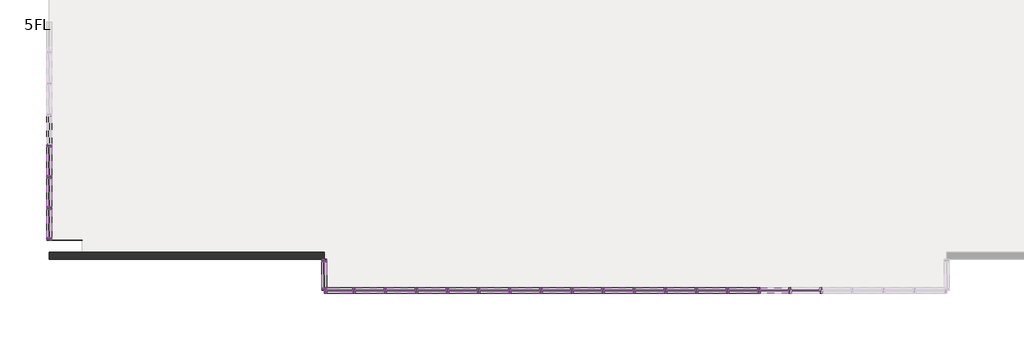
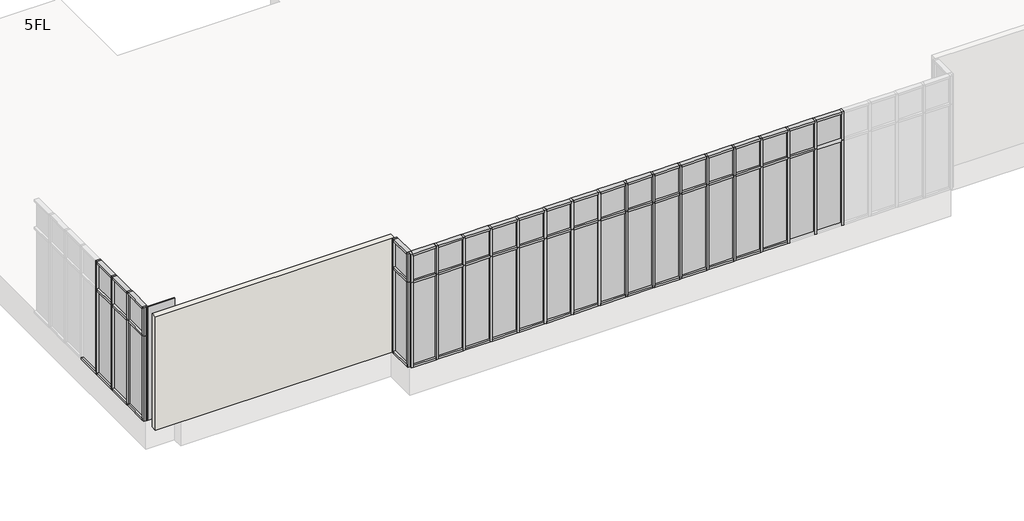
# One storey, part 1 of 4: 104 members, 42 plates, 1 wall.
"""IFC4 building model written with IfcOpenShell, lengths in millimetres."""

import ifcopenshell
import ifcopenshell.guid

model = None  # the IFC model being written
_history = None  # IfcOwnerHistory: only IFC2X3 demands one
_inside = {}  # id of a spatial element -> (the spatial element, [elements in it])
_under = {}  # id of a project, library or spatial element -> (it, [spatial elements below it])
_declared = {}  # id of a project -> (the project, [libraries it declares])
_typed = {}  # id of a type object -> (the type object, [elements of that type])
_made_of = {}  # id of a material, layer set ... -> (it, [elements and type objects made of it])


def new_model(schema):
    """Start an empty IFC model of exactly this schema.

    Asked for "IFC4X3", IfcOpenShell would pick the latest addendum, in which some entities
    have other attributes; the version numbers below select the first issue.
    IFC2X3 requires an IfcOwnerHistory on every rooted entity: one is made here for all.
    """
    global model, _history
    if schema == "IFC4X3":
        model = ifcopenshell.file(schema_version=(4, 3, 0, 0))
    else:
        model = ifcopenshell.file(schema=schema)
    _inside.clear()
    _under.clear()
    _declared.clear()
    _typed.clear()
    _made_of.clear()
    _history = None
    if model.schema == "IFC2X3":
        org = make("IfcOrganization", Name="unknown")
        user = make(
            "IfcPersonAndOrganization",
            ThePerson=make("IfcPerson", FamilyName="unknown"),
            TheOrganization=org,
        )
        app = make(
            "IfcApplication",
            ApplicationDeveloper=org,
            Version="unknown",
            ApplicationFullName="unknown",
            ApplicationIdentifier="unknown",
        )
        _history = make(
            "IfcOwnerHistory",
            OwningUser=user,
            OwningApplication=app,
            ChangeAction="ADDED",
            CreationDate=0,
        )
    return model


def make(cls, **values):
    """One entity of the class cls with the attributes given. An attribute that is None is left unset."""
    return model.create_entity(
        cls, **{name: value for name, value in values.items() if value is not None}
    )


def rooted(cls, **values):
    """An entity with a GlobalId (a new one), such as an element, a storey or a relation."""
    return make(cls, GlobalId=ifcopenshell.guid.new(), OwnerHistory=_history, **values)


def si_unit(unit_type, name, prefix=None):
    """IfcSIUnit, for example si_unit("LENGTHUNIT", "METRE", prefix="MILLI")."""
    return make("IfcSIUnit", UnitType=unit_type, Prefix=prefix, Name=name)


def assignment(units):
    """IfcUnitAssignment: the units of a project."""
    return None if units is None else make("IfcUnitAssignment", Units=units)


def point(xyz):
    """IfcCartesianPoint."""
    return None if xyz is None else make("IfcCartesianPoint", Coordinates=xyz)


def direction(xyz):
    """IfcDirection."""
    return None if xyz is None else make("IfcDirection", DirectionRatios=xyz)


def frame(location, z_axis=None, x_axis=None):
    """IfcAxis2Placement3D, a coordinate frame: its origin and axes. An axis left out is left unset."""
    return make(
        "IfcAxis2Placement3D",
        Location=point(location),
        Axis=direction(z_axis),
        RefDirection=direction(x_axis),
    )


def origin():
    """The frame at (0, 0, 0) with its axes left unset."""
    return frame((0.0, 0.0, 0.0))


def origin_with_axes():
    """The frame at (0, 0, 0) with the z axis (0, 0, 1) and the x axis (1, 0, 0) written out."""
    return frame((0.0, 0.0, 0.0), z_axis=(0.0, 0.0, 1.0), x_axis=(1.0, 0.0, 0.0))


def place(relative_to, where):
    """IfcLocalPlacement: puts the frame where relative to a parent placement (None: the world)."""
    return make(
        "IfcLocalPlacement", PlacementRelTo=relative_to, RelativePlacement=where
    )


def context(
    kind, dimensions, precision=None, world=None, true_north=None, identifier=None
):
    """IfcGeometricRepresentationContext, for example the 3D "Model" context."""
    return make(
        "IfcGeometricRepresentationContext",
        ContextIdentifier=identifier,
        ContextType=kind,
        CoordinateSpaceDimension=dimensions,
        Precision=precision,
        WorldCoordinateSystem=world,
        TrueNorth=true_north,
    )


def project(units=None, contexts=None):
    """IfcProject with its units and contexts."""
    return rooted(
        "IfcProject",
        Name="project",
        RepresentationContexts=contexts,
        UnitsInContext=assignment(units),
    )


def spatial(cls, under=None, at=None, **own):
    """A site, building, storey or space (cls), placed at a placement, below another one or the project."""
    s = rooted(cls, ObjectPlacement=at, **own)
    if under is not None:
        _under.setdefault(under.id(), (under, []))[1].append(s)
    return s


def polyline(points):
    """IfcPolyline through the points."""
    return make("IfcPolyline", Points=[point(p) for p in points])


def outline(outer, holes=None, kind="AREA"):
    """IfcArbitraryClosedProfileDef: a profile drawn as a closed curve; with holes, ...WithVoids."""
    if holes is None:
        return make("IfcArbitraryClosedProfileDef", ProfileType=kind, OuterCurve=outer)
    return make(
        "IfcArbitraryProfileDefWithVoids",
        ProfileType=kind,
        OuterCurve=outer,
        InnerCurves=holes,
    )


def extrude(swept, where, along, depth):
    """IfcExtrudedAreaSolid: the profile swept, set in the frame where, extruded along a direction by depth."""
    return make(
        "IfcExtrudedAreaSolid",
        SweptArea=swept,
        Position=where,
        ExtrudedDirection=direction(along),
        Depth=depth,
    )


def shape(context_of_items, identifier, shape_type, items):
    """IfcShapeRepresentation: the items that make up one representation, for example the "Body"."""
    return make(
        "IfcShapeRepresentation",
        ContextOfItems=context_of_items,
        RepresentationIdentifier=identifier,
        RepresentationType=shape_type,
        Items=items,
    )


def source(mapping_origin, context_of_items, identifier, shape_type, items):
    """IfcRepresentationMap: a shape defined once, which mapped items show again and again."""
    return make(
        "IfcRepresentationMap",
        MappingOrigin=mapping_origin,
        MappedRepresentation=shape(context_of_items, identifier, shape_type, items),
    )


def transform(
    local_origin,
    x_axis=None,
    y_axis=None,
    z_axis=None,
    scale=None,
    scale2=None,
    scale3=None,
    uniform=True,
):
    """IfcCartesianTransformationOperator3D, or its non-uniform kind. x_axis, y_axis, z_axis: its Axis1, 2, 3."""
    if uniform:
        return make(
            "IfcCartesianTransformationOperator3D",
            Axis1=direction(x_axis),
            Axis2=direction(y_axis),
            LocalOrigin=point(local_origin),
            Scale=scale,
            Axis3=direction(z_axis),
        )
    return make(
        "IfcCartesianTransformationOperator3DnonUniform",
        Axis1=direction(x_axis),
        Axis2=direction(y_axis),
        LocalOrigin=point(local_origin),
        Scale=scale,
        Axis3=direction(z_axis),
        Scale2=scale2,
        Scale3=scale3,
    )


def mapped(mapping_source, mapping_target):
    """IfcMappedItem: shows the shape of a source again, moved by a transform."""
    return make(
        "IfcMappedItem", MappingSource=mapping_source, MappingTarget=mapping_target
    )


def made_of(thing, what):
    """Note that an element or type object is made of a material, layer set ...; save() writes the relation."""
    if what is not None:
        _made_of.setdefault(what.id(), (what, []))[1].append(thing)
    return thing


def element(
    cls,
    number,
    at=None,
    inside=None,
    cuts=None,
    type_object=None,
    material=None,
    context=None,
    identifier="Body",
    shape_type=None,
    held_by="IfcProductDefinitionShape",
    body=None,
    shapes=None,
    **own,
):
    """One element of the class cls, such as IfcWall. Its Tag is "e" and its number.

    at: its placement. inside: the storey or other place that contains it. cuts: it is an
    opening in that element (IfcRelVoidsElement). A single representation is given by context,
    identifier, shape_type and body (its items); several are given by shapes. held_by: the class
    of the entity that holds the representations. save() writes the other relations.
    """
    e = rooted(cls, Tag="e%d" % number, ObjectPlacement=at, **own)
    if body is not None:
        shapes = [shape(context, identifier, shape_type, body)]
    if shapes is not None:
        e.Representation = make(held_by, Representations=shapes)
    if inside is not None:
        _inside.setdefault(inside.id(), (inside, []))[1].append(e)
    if cuts is not None:
        rooted(
            "IfcRelVoidsElement", RelatingBuildingElement=cuts, RelatedOpeningElement=e
        )
    if type_object is not None:
        _typed.setdefault(type_object.id(), (type_object, []))[1].append(e)
    return made_of(e, material)


def aggregate(whole, parts):
    """IfcRelAggregates: a whole, such as a stair, and the parts it consists of."""
    return rooted("IfcRelAggregates", RelatingObject=whole, RelatedObjects=parts)


def save(model, path):
    """Write the relations noted so far, then the file.

    IfcRelAggregates (storeys below a building ...), IfcRelContainedInSpatialStructure (elements
    in a storey), IfcRelDefinesByType, IfcRelAssociatesMaterial and IfcRelDeclares: one each for
    every whole, place, type object, material and project.
    """
    for whole, parts in _under.values():
        aggregate(whole, parts)
    for where, things in _inside.values():
        rooted(
            "IfcRelContainedInSpatialStructure",
            RelatedElements=things,
            RelatingStructure=where,
        )
    for kind, things in _typed.values():
        rooted("IfcRelDefinesByType", RelatedObjects=things, RelatingType=kind)
    for what, things in _made_of.values():
        rooted("IfcRelAssociatesMaterial", RelatedObjects=things, RelatingMaterial=what)
    for by, libraries in _declared.values():
        rooted("IfcRelDeclares", RelatingContext=by, RelatedDefinitions=libraries)
    model.write(path)


def member_70x150_cdd4dcf9(model_context):
    return source(origin(), model_context, "Body", "SweptSolid", [
        extrude(outline(polyline([(35.0, 75.0), (35.0, -75.0), (-35.0, -75.0), (-35.0, 75.0), (35.0, 75.0)])), frame((0.0, 0.0, -3000.0), z_axis=(0.0, 0.0, 1.0), x_axis=(1.0, 0.0, 0.0)), (0.0, 0.0, 1.0), 3000.0),
    ])


def member_70x150_9a135ce4(model_context):
    return source(origin(), model_context, "Body", "SweptSolid", [
        extrude(outline(polyline([(0.0, 75.0), (0.0, -75.0), (-70.0, -75.0), (-70.0, 75.0), (0.0, 75.0)])), frame((0.0, 0.0, -760.0), z_axis=(0.0, 0.0, 1.0), x_axis=(1.0, 0.0, 0.0)), (0.0, 0.0, 1.0), 760.0),
    ])


def member_70x150_66cf63de(model_context):
    return source(origin(), model_context, "Body", "SweptSolid", [
        extrude(outline(polyline([(0.0, 75.0), (0.0, -75.0), (-70.0, -75.0), (-70.0, 75.0), (0.0, 75.0)])), frame((0.0, 0.0, -830.0), z_axis=(0.0, 0.0, 1.0), x_axis=(1.0, 0.0, 0.0)), (0.0, 0.0, 1.0), 830.0),
    ])


def member_70x150_26475b18(model_context):
    return source(origin(), model_context, "Body", "SweptSolid", [
        extrude(outline(polyline([(35.0, 75.0), (35.0, -75.0), (-35.0, -75.0), (-35.0, 75.0), (35.0, 75.0)])), frame((0.0, 0.0, -1000.0), z_axis=(0.0, 0.0, 1.0), x_axis=(1.0, 0.0, 0.0)), (0.0, 0.0, 1.0), 1000.0),
    ])


def member_70x150_ad4265bc(model_context):
    return source(origin(), model_context, "Body", "SweptSolid", [
        extrude(outline(polyline([(35.0, 75.0), (35.0, -75.0), (-35.0, -75.0), (-35.0, 75.0), (35.0, 75.0)])), frame((0.0, 0.0, -830.0), z_axis=(0.0, 0.0, 1.0), x_axis=(1.0, 0.0, 0.0)), (0.0, 0.0, 1.0), 830.0),
    ])


def member_70x150_e0eddb57(model_context):
    return source(origin(), model_context, "Body", "SweptSolid", [
        extrude(outline(polyline([(35.0, 75.0), (35.0, -75.0), (-35.0, -75.0), (-35.0, 75.0), (35.0, 75.0)])), frame((0.0, 0.0, -760.0), z_axis=(0.0, 0.0, 1.0), x_axis=(1.0, 0.0, 0.0)), (0.0, 0.0, 1.0), 760.0),
    ])


def member_70x150_1b280ac3(model_context):
    return source(origin(), model_context, "Body", "SweptSolid", [
        extrude(outline(polyline([(0.0, 75.0), (0.0, -75.0), (-70.0, -75.0), (-70.0, 75.0), (0.0, 75.0)])), frame((0.0, 0.0, -3000.0), z_axis=(0.0, 0.0, 1.0), x_axis=(1.0, 0.0, 0.0)), (0.0, 0.0, 1.0), 3000.0),
    ])


def member_70x150_76429c73(model_context):
    return source(origin(), model_context, "Body", "SweptSolid", [
        extrude(outline(polyline([(0.0, 75.0), (0.0, -75.0), (-70.0, -75.0), (-70.0, 75.0), (0.0, 75.0)])), frame((0.0, 0.0, -1000.0), z_axis=(0.0, 0.0, 1.0), x_axis=(1.0, 0.0, 0.0)), (0.0, 0.0, 1.0), 1000.0),
    ])


def plate_d1366ea1(model_context):
    return source(origin(), model_context, "Body", "SweptSolid", [
        extrude(outline(polyline([(450.0, -5.0), (-450.0, -5.0), (-450.0, 5.0), (450.0, 5.0), (450.0, -5.0)])), origin_with_axes(), (0.0, 0.0, 1.0), 4000.0),
    ])


def plate_ab860a3c(model_context):
    return source(origin(), model_context, "Body", "SweptSolid", [
        extrude(outline(polyline([(25.0, -5.0), (-25.0, -5.0), (-25.0, 5.0), (25.0, 5.0), (25.0, -5.0)])), origin_with_axes(), (0.0, 0.0, 1.0), 4000.0),
    ])


def plate_28587fd3(model_context):
    return source(origin(), model_context, "Body", "SweptSolid", [
        extrude(outline(polyline([(415.0, -5.0), (-415.0, -5.0), (-415.0, 5.0), (415.0, 5.0), (415.0, -5.0)])), origin_with_axes(), (0.0, 0.0, 1.0), 2895.0),
    ])


def plate_4b01b467(model_context):
    return source(origin(), model_context, "Body", "SweptSolid", [
        extrude(outline(polyline([(380.0, -5.0), (-380.0, -5.0), (-380.0, 5.0), (380.0, 5.0), (380.0, -5.0)])), origin_with_axes(), (0.0, 0.0, 1.0), 2895.0),
    ])


def plate_396bcf3c(model_context):
    return source(origin(), model_context, "Body", "SweptSolid", [
        extrude(outline(polyline([(415.0, -5.0), (-415.0, -5.0), (-415.0, 5.0), (415.0, 5.0), (415.0, -5.0)])), origin_with_axes(), (0.0, 0.0, 1.0), 895.0),
    ])


def plate_83f08a3e(model_context):
    return source(origin(), model_context, "Body", "SweptSolid", [
        extrude(outline(polyline([(380.0, -5.0), (-380.0, -5.0), (-380.0, 5.0), (380.0, 5.0), (380.0, -5.0)])), origin_with_axes(), (0.0, 0.0, 1.0), 895.0),
    ])


model = new_model("IFC4")

# Units and contexts
model_context = context("Model", 3, world=origin())
ifc_project = project(units=[si_unit("LENGTHUNIT", "METRE", prefix="MILLI")], contexts=[model_context])

# Site, building, storey
site = spatial("IfcSite", under=ifc_project)
building = spatial("IfcBuilding", under=site)
storey = spatial("IfcBuildingStorey", under=building, Name="5FL", Elevation=16600.0)

# Members
placement = place(None, origin())
member_70x150_shape = member_70x150_cdd4dcf9(model_context)
element("IfcMember", 1, ObjectType="70x150", at=placement, inside=storey, context=model_context, shape_type="MappedRepresentation", body=[
    mapped(member_70x150_shape, transform((-19630.9784025, -4550.3131013, 16600.0), x_axis=(-1.0, 0.0, 0.0), y_axis=(0.0, 1.0, 0.0), z_axis=(0.0, 0.0, -1.0))),
])
element("IfcMember", 2, ObjectType="70x150", at=placement, inside=storey, context=model_context, shape_type="MappedRepresentation", body=[
    mapped(member_70x150_shape, transform((-16030.9784025, -4550.3131013, 16600.0), x_axis=(-1.0, 0.0, 0.0), y_axis=(0.0, 1.0, 0.0), z_axis=(0.0, 0.0, -1.0))),
])
element("IfcMember", 3, ObjectType="70x150", at=placement, inside=storey, context=model_context, shape_type="MappedRepresentation", body=[
    mapped(member_70x150_shape, transform((-20530.9784025, -4550.3131013, 16600.0), x_axis=(-1.0, 0.0, 0.0), y_axis=(0.0, 1.0, 0.0), z_axis=(0.0, 0.0, -1.0))),
])
element("IfcMember", 4, ObjectType="70x150", at=placement, inside=storey, context=model_context, shape_type="MappedRepresentation", body=[
    mapped(member_70x150_shape, transform((-17830.9784025, -4550.3131013, 16600.0), x_axis=(-1.0, 0.0, 0.0), y_axis=(0.0, 1.0, 0.0), z_axis=(0.0, 0.0, -1.0))),
])
element("IfcMember", 5, ObjectType="70x150", at=placement, inside=storey, context=model_context, shape_type="MappedRepresentation", body=[
    mapped(member_70x150_shape, transform((-14230.9784025, -4550.3131013, 16600.0), x_axis=(-1.0, 0.0, 0.0), y_axis=(0.0, 1.0, 0.0), z_axis=(0.0, 0.0, -1.0))),
])
element("IfcMember", 6, ObjectType="70x150", at=placement, inside=storey, context=model_context, shape_type="MappedRepresentation", body=[
    mapped(member_70x150_shape, transform((-18730.9784025, -4550.3131013, 16600.0), x_axis=(-1.0, 0.0, 0.0), y_axis=(0.0, 1.0, 0.0), z_axis=(0.0, 0.0, -1.0))),
])
element("IfcMember", 7, ObjectType="70x150", at=placement, inside=storey, context=model_context, shape_type="MappedRepresentation", body=[
    mapped(member_70x150_shape, transform((-15130.9784025, -4550.3131013, 16600.0), x_axis=(-1.0, 0.0, 0.0), y_axis=(0.0, 1.0, 0.0), z_axis=(0.0, 0.0, -1.0))),
])
element("IfcMember", 8, ObjectType="70x150", at=placement, inside=storey, context=model_context, shape_type="MappedRepresentation", body=[
    mapped(member_70x150_shape, transform((-13330.9784025, -4550.3131013, 16600.0), x_axis=(-1.0, 0.0, 0.0), y_axis=(0.0, 1.0, 0.0), z_axis=(0.0, 0.0, -1.0))),
])
element("IfcMember", 9, ObjectType="70x150", at=placement, inside=storey, context=model_context, shape_type="MappedRepresentation", body=[
    mapped(member_70x150_shape, transform((-16930.9784025, -4550.3131013, 16600.0), x_axis=(-1.0, 0.0, 0.0), y_axis=(0.0, 1.0, 0.0), z_axis=(0.0, 0.0, -1.0))),
])
element("IfcMember", 10, ObjectType="70x150", at=placement, inside=storey, context=model_context, shape_type="MappedRepresentation", body=[
    mapped(member_70x150_shape, transform((-12430.9784025, -4550.3131013, 16600.0), x_axis=(-1.0, 0.0, 0.0), y_axis=(0.0, 1.0, 0.0), z_axis=(0.0, 0.0, -1.0))),
])
element("IfcMember", 11, ObjectType="70x150", at=placement, inside=storey, context=model_context, shape_type="MappedRepresentation", body=[
    mapped(member_70x150_shape, transform((-10630.9784025, -4550.3131013, 16600.0), x_axis=(-1.0, 0.0, 0.0), y_axis=(0.0, 1.0, 0.0), z_axis=(0.0, 0.0, -1.0))),
])
element("IfcMember", 12, ObjectType="70x150", at=placement, inside=storey, context=model_context, shape_type="MappedRepresentation", body=[
    mapped(member_70x150_shape, transform((-7930.9784025, -4550.3131013, 16600.0), x_axis=(-1.0, 0.0, 0.0), y_axis=(0.0, 1.0, 0.0), z_axis=(0.0, 0.0, -1.0))),
])
element("IfcMember", 13, ObjectType="70x150", at=placement, inside=storey, context=model_context, shape_type="MappedRepresentation", body=[
    mapped(member_70x150_shape, transform((-9730.9784025, -4550.3131013, 16600.0), x_axis=(-1.0, 0.0, 0.0), y_axis=(0.0, 1.0, 0.0), z_axis=(0.0, 0.0, -1.0))),
])
element("IfcMember", 14, ObjectType="70x150", at=placement, inside=storey, context=model_context, shape_type="MappedRepresentation", body=[
    mapped(member_70x150_shape, transform((-11530.9784025, -4550.3131013, 16600.0), x_axis=(-1.0, 0.0, 0.0), y_axis=(0.0, 1.0, 0.0), z_axis=(0.0, 0.0, -1.0))),
])
element("IfcMember", 15, ObjectType="70x150", at=placement, inside=storey, context=model_context, shape_type="MappedRepresentation", body=[
    mapped(member_70x150_shape, transform((-8830.9784025, -4550.3131013, 16600.0), x_axis=(-1.0, 0.0, 0.0), y_axis=(0.0, 1.0, 0.0), z_axis=(0.0, 0.0, -1.0))),
])
element("IfcMember", 16, ObjectType="70x150", at=placement, inside=storey, context=model_context, shape_type="MappedRepresentation", body=[
    mapped(member_70x150_shape, transform((-7030.9784025, -4550.3131013, 16600.0), x_axis=(-1.0, 0.0, 0.0), y_axis=(0.0, 1.0, 0.0), z_axis=(0.0, 0.0, -1.0))),
])
element("IfcMember", 17, ObjectType="70x150", at=placement, inside=storey, context=model_context, shape_type="MappedRepresentation", body=[
    mapped(member_70x150_shape, transform((-29345.9784025, -365.3131013, 16600.0), x_axis=(0.0, 1.0, 0.0), y_axis=(1.0, 0.0, 0.0), z_axis=(0.0, 0.0, -1.0))),
])
element("IfcMember", 18, ObjectType="70x150", at=placement, inside=storey, context=model_context, shape_type="MappedRepresentation", body=[
    mapped(member_70x150_shape, transform((-29345.9784025, -2165.3131013, 16600.0), x_axis=(0.0, 1.0, 0.0), y_axis=(1.0, 0.0, 0.0), z_axis=(0.0, 0.0, -1.0))),
])
element("IfcMember", 19, ObjectType="70x150", at=placement, inside=storey, context=model_context, shape_type="MappedRepresentation", body=[
    mapped(member_70x150_shape, transform((-29345.9784025, -1265.3131013, 16600.0), x_axis=(0.0, 1.0, 0.0), y_axis=(1.0, 0.0, 0.0), z_axis=(0.0, 0.0, -1.0))),
])
member_70x150_2_shape = member_70x150_9a135ce4(model_context)
element("IfcMember", 20, ObjectType="70x150", at=placement, inside=storey, context=model_context, shape_type="MappedRepresentation", body=[
    mapped(member_70x150_2_shape, transform((-21325.9784025, -4550.3131013, 20600.0), x_axis=(0.0, 0.0, 1.0), y_axis=(0.0, 1.0, 0.0), z_axis=(-1.0, 0.0, 0.0))),
])
element("IfcMember", 21, ObjectType="70x150", at=placement, inside=storey, context=model_context, shape_type="MappedRepresentation", body=[
    mapped(member_70x150_2_shape, transform((-21395.9784025, -3720.3131013, 20600.0), x_axis=(0.0, 0.0, 1.0), y_axis=(1.0, 0.0, 0.0), z_axis=(0.0, 1.0, 0.0))),
])
member_70x150_3_shape = member_70x150_66cf63de(model_context)
element("IfcMember", 22, ObjectType="70x150", at=placement, inside=storey, context=model_context, shape_type="MappedRepresentation", body=[
    mapped(member_70x150_3_shape, transform((-19665.9784025, -4550.3131013, 16600.0), x_axis=(0.0, 0.0, -1.0), y_axis=(0.0, 1.0, 0.0), z_axis=(1.0, 0.0, 0.0))),
])
element("IfcMember", 23, ObjectType="70x150", at=placement, inside=storey, context=model_context, shape_type="MappedRepresentation", body=[
    mapped(member_70x150_3_shape, transform((-18765.9784025, -4550.3131013, 16600.0), x_axis=(0.0, 0.0, -1.0), y_axis=(0.0, 1.0, 0.0), z_axis=(1.0, 0.0, 0.0))),
])
element("IfcMember", 24, ObjectType="70x150", at=placement, inside=storey, context=model_context, shape_type="MappedRepresentation", body=[
    mapped(member_70x150_3_shape, transform((-17865.9784025, -4550.3131013, 16600.0), x_axis=(0.0, 0.0, -1.0), y_axis=(0.0, 1.0, 0.0), z_axis=(1.0, 0.0, 0.0))),
])
element("IfcMember", 25, ObjectType="70x150", at=placement, inside=storey, context=model_context, shape_type="MappedRepresentation", body=[
    mapped(member_70x150_3_shape, transform((-16965.9784025, -4550.3131013, 16600.0), x_axis=(0.0, 0.0, -1.0), y_axis=(0.0, 1.0, 0.0), z_axis=(1.0, 0.0, 0.0))),
])
element("IfcMember", 26, ObjectType="70x150", at=placement, inside=storey, context=model_context, shape_type="MappedRepresentation", body=[
    mapped(member_70x150_3_shape, transform((-16065.9784025, -4550.3131013, 16600.0), x_axis=(0.0, 0.0, -1.0), y_axis=(0.0, 1.0, 0.0), z_axis=(1.0, 0.0, 0.0))),
])
element("IfcMember", 27, ObjectType="70x150", at=placement, inside=storey, context=model_context, shape_type="MappedRepresentation", body=[
    mapped(member_70x150_3_shape, transform((-11565.9784025, -4550.3131013, 16600.0), x_axis=(0.0, 0.0, -1.0), y_axis=(0.0, 1.0, 0.0), z_axis=(1.0, 0.0, 0.0))),
])
element("IfcMember", 28, ObjectType="70x150", at=placement, inside=storey, context=model_context, shape_type="MappedRepresentation", body=[
    mapped(member_70x150_3_shape, transform((-9765.9784025, -4550.3131013, 16600.0), x_axis=(0.0, 0.0, -1.0), y_axis=(0.0, 1.0, 0.0), z_axis=(1.0, 0.0, 0.0))),
])
element("IfcMember", 29, ObjectType="70x150", at=placement, inside=storey, context=model_context, shape_type="MappedRepresentation", body=[
    mapped(member_70x150_3_shape, transform((-13365.9784025, -4550.3131013, 16600.0), x_axis=(0.0, 0.0, -1.0), y_axis=(0.0, 1.0, 0.0), z_axis=(1.0, 0.0, 0.0))),
])
element("IfcMember", 30, ObjectType="70x150", at=placement, inside=storey, context=model_context, shape_type="MappedRepresentation", body=[
    mapped(member_70x150_3_shape, transform((-12465.9784025, -4550.3131013, 16600.0), x_axis=(0.0, 0.0, -1.0), y_axis=(0.0, 1.0, 0.0), z_axis=(1.0, 0.0, 0.0))),
])
element("IfcMember", 31, ObjectType="70x150", at=placement, inside=storey, context=model_context, shape_type="MappedRepresentation", body=[
    mapped(member_70x150_3_shape, transform((-14265.9784025, -4550.3131013, 16600.0), x_axis=(0.0, 0.0, -1.0), y_axis=(0.0, 1.0, 0.0), z_axis=(1.0, 0.0, 0.0))),
])
element("IfcMember", 32, ObjectType="70x150", at=placement, inside=storey, context=model_context, shape_type="MappedRepresentation", body=[
    mapped(member_70x150_3_shape, transform((-10665.9784025, -4550.3131013, 16600.0), x_axis=(0.0, 0.0, -1.0), y_axis=(0.0, 1.0, 0.0), z_axis=(1.0, 0.0, 0.0))),
])
element("IfcMember", 33, ObjectType="70x150", at=placement, inside=storey, context=model_context, shape_type="MappedRepresentation", body=[
    mapped(member_70x150_3_shape, transform((-15165.9784025, -4550.3131013, 16600.0), x_axis=(0.0, 0.0, -1.0), y_axis=(0.0, 1.0, 0.0), z_axis=(1.0, 0.0, 0.0))),
])
element("IfcMember", 34, ObjectType="70x150", at=placement, inside=storey, context=model_context, shape_type="MappedRepresentation", body=[
    mapped(member_70x150_3_shape, transform((-8865.9784025, -4550.3131013, 16600.0), x_axis=(0.0, 0.0, -1.0), y_axis=(0.0, 1.0, 0.0), z_axis=(1.0, 0.0, 0.0))),
])
element("IfcMember", 35, ObjectType="70x150", at=placement, inside=storey, context=model_context, shape_type="MappedRepresentation", body=[
    mapped(member_70x150_3_shape, transform((-29345.9784025, -330.3131013, 16600.0), x_axis=(0.0, 0.0, -1.0), y_axis=(1.0, 0.0, 0.0), z_axis=(0.0, -1.0, 0.0))),
])
element("IfcMember", 36, ObjectType="70x150", at=placement, inside=storey, context=model_context, shape_type="MappedRepresentation", body=[
    mapped(member_70x150_3_shape, transform((-29345.9784025, -1230.3131013, 16600.0), x_axis=(0.0, 0.0, -1.0), y_axis=(1.0, 0.0, 0.0), z_axis=(0.0, -1.0, 0.0))),
])
element("IfcMember", 37, ObjectType="70x150", at=placement, inside=storey, context=model_context, shape_type="MappedRepresentation", body=[
    mapped(member_70x150_3_shape, transform((-29345.9784025, -2130.3131013, 16600.0), x_axis=(0.0, 0.0, -1.0), y_axis=(1.0, 0.0, 0.0), z_axis=(0.0, -1.0, 0.0))),
])
element("IfcMember", 38, ObjectType="70x150", at=placement, inside=storey, context=model_context, shape_type="MappedRepresentation", body=[
    mapped(member_70x150_3_shape, transform((-29345.9784025, -3030.3131013, 16600.0), x_axis=(0.0, 0.0, -1.0), y_axis=(1.0, 0.0, 0.0), z_axis=(0.0, -1.0, 0.0))),
])
element("IfcMember", 39, ObjectType="70x150", at=placement, inside=storey, context=model_context, shape_type="MappedRepresentation", body=[
    mapped(member_70x150_3_shape, transform((-19595.9784025, -4550.3131013, 20600.0), x_axis=(0.0, 0.0, 1.0), y_axis=(0.0, 1.0, 0.0), z_axis=(-1.0, 0.0, 0.0))),
])
element("IfcMember", 40, ObjectType="70x150", at=placement, inside=storey, context=model_context, shape_type="MappedRepresentation", body=[
    mapped(member_70x150_3_shape, transform((-18695.9784025, -4550.3131013, 20600.0), x_axis=(0.0, 0.0, 1.0), y_axis=(0.0, 1.0, 0.0), z_axis=(-1.0, 0.0, 0.0))),
])
element("IfcMember", 41, ObjectType="70x150", at=placement, inside=storey, context=model_context, shape_type="MappedRepresentation", body=[
    mapped(member_70x150_3_shape, transform((-17795.9784025, -4550.3131013, 20600.0), x_axis=(0.0, 0.0, 1.0), y_axis=(0.0, 1.0, 0.0), z_axis=(-1.0, 0.0, 0.0))),
])
element("IfcMember", 42, ObjectType="70x150", at=placement, inside=storey, context=model_context, shape_type="MappedRepresentation", body=[
    mapped(member_70x150_3_shape, transform((-16895.9784025, -4550.3131013, 20600.0), x_axis=(0.0, 0.0, 1.0), y_axis=(0.0, 1.0, 0.0), z_axis=(-1.0, 0.0, 0.0))),
])
element("IfcMember", 43, ObjectType="70x150", at=placement, inside=storey, context=model_context, shape_type="MappedRepresentation", body=[
    mapped(member_70x150_3_shape, transform((-15995.9784025, -4550.3131013, 20600.0), x_axis=(0.0, 0.0, 1.0), y_axis=(0.0, 1.0, 0.0), z_axis=(-1.0, 0.0, 0.0))),
])
element("IfcMember", 44, ObjectType="70x150", at=placement, inside=storey, context=model_context, shape_type="MappedRepresentation", body=[
    mapped(member_70x150_3_shape, transform((-15095.9784025, -4550.3131013, 20600.0), x_axis=(0.0, 0.0, 1.0), y_axis=(0.0, 1.0, 0.0), z_axis=(-1.0, 0.0, 0.0))),
])
element("IfcMember", 45, ObjectType="70x150", at=placement, inside=storey, context=model_context, shape_type="MappedRepresentation", body=[
    mapped(member_70x150_3_shape, transform((-14195.9784025, -4550.3131013, 20600.0), x_axis=(0.0, 0.0, 1.0), y_axis=(0.0, 1.0, 0.0), z_axis=(-1.0, 0.0, 0.0))),
])
element("IfcMember", 46, ObjectType="70x150", at=placement, inside=storey, context=model_context, shape_type="MappedRepresentation", body=[
    mapped(member_70x150_3_shape, transform((-13295.9784025, -4550.3131013, 20600.0), x_axis=(0.0, 0.0, 1.0), y_axis=(0.0, 1.0, 0.0), z_axis=(-1.0, 0.0, 0.0))),
])
element("IfcMember", 47, ObjectType="70x150", at=placement, inside=storey, context=model_context, shape_type="MappedRepresentation", body=[
    mapped(member_70x150_3_shape, transform((-12395.9784025, -4550.3131013, 20600.0), x_axis=(0.0, 0.0, 1.0), y_axis=(0.0, 1.0, 0.0), z_axis=(-1.0, 0.0, 0.0))),
])
element("IfcMember", 48, ObjectType="70x150", at=placement, inside=storey, context=model_context, shape_type="MappedRepresentation", body=[
    mapped(member_70x150_3_shape, transform((-11495.9784025, -4550.3131013, 20600.0), x_axis=(0.0, 0.0, 1.0), y_axis=(0.0, 1.0, 0.0), z_axis=(-1.0, 0.0, 0.0))),
])
element("IfcMember", 49, ObjectType="70x150", at=placement, inside=storey, context=model_context, shape_type="MappedRepresentation", body=[
    mapped(member_70x150_3_shape, transform((-10595.9784025, -4550.3131013, 20600.0), x_axis=(0.0, 0.0, 1.0), y_axis=(0.0, 1.0, 0.0), z_axis=(-1.0, 0.0, 0.0))),
])
element("IfcMember", 50, ObjectType="70x150", at=placement, inside=storey, context=model_context, shape_type="MappedRepresentation", body=[
    mapped(member_70x150_3_shape, transform((-9695.9784025, -4550.3131013, 20600.0), x_axis=(0.0, 0.0, 1.0), y_axis=(0.0, 1.0, 0.0), z_axis=(-1.0, 0.0, 0.0))),
])
element("IfcMember", 51, ObjectType="70x150", at=placement, inside=storey, context=model_context, shape_type="MappedRepresentation", body=[
    mapped(member_70x150_3_shape, transform((-8795.9784025, -4550.3131013, 20600.0), x_axis=(0.0, 0.0, 1.0), y_axis=(0.0, 1.0, 0.0), z_axis=(-1.0, 0.0, 0.0))),
])
element("IfcMember", 52, ObjectType="70x150", at=placement, inside=storey, context=model_context, shape_type="MappedRepresentation", body=[
    mapped(member_70x150_3_shape, transform((-7895.9784025, -4550.3131013, 20600.0), x_axis=(0.0, 0.0, 1.0), y_axis=(0.0, 1.0, 0.0), z_axis=(-1.0, 0.0, 0.0))),
])
element("IfcMember", 53, ObjectType="70x150", at=placement, inside=storey, context=model_context, shape_type="MappedRepresentation", body=[
    mapped(member_70x150_3_shape, transform((-20495.9784025, -4550.3131013, 20600.0), x_axis=(0.0, 0.0, 1.0), y_axis=(0.0, 1.0, 0.0), z_axis=(-1.0, 0.0, 0.0))),
])
element("IfcMember", 54, ObjectType="70x150", at=placement, inside=storey, context=model_context, shape_type="MappedRepresentation", body=[
    mapped(member_70x150_3_shape, transform((-29345.9784025, -400.3131013, 20600.0), x_axis=(0.0, 0.0, 1.0), y_axis=(1.0, 0.0, 0.0), z_axis=(0.0, 1.0, 0.0))),
])
element("IfcMember", 55, ObjectType="70x150", at=placement, inside=storey, context=model_context, shape_type="MappedRepresentation", body=[
    mapped(member_70x150_3_shape, transform((-29345.9784025, -1300.3131013, 20600.0), x_axis=(0.0, 0.0, 1.0), y_axis=(1.0, 0.0, 0.0), z_axis=(0.0, 1.0, 0.0))),
])
element("IfcMember", 56, ObjectType="70x150", at=placement, inside=storey, context=model_context, shape_type="MappedRepresentation", body=[
    mapped(member_70x150_3_shape, transform((-29345.9784025, -2200.3131013, 20600.0), x_axis=(0.0, 0.0, 1.0), y_axis=(1.0, 0.0, 0.0), z_axis=(0.0, 1.0, 0.0))),
])
element("IfcMember", 57, ObjectType="70x150", at=placement, inside=storey, context=model_context, shape_type="MappedRepresentation", body=[
    mapped(member_70x150_2_shape, transform((-20565.9784025, -4550.3131013, 16600.0), x_axis=(0.0, 0.0, -1.0), y_axis=(0.0, 1.0, 0.0), z_axis=(1.0, 0.0, 0.0))),
])
element("IfcMember", 58, ObjectType="70x150", at=placement, inside=storey, context=model_context, shape_type="MappedRepresentation", body=[
    mapped(member_70x150_2_shape, transform((-21395.9784025, -4480.3131013, 16600.0), x_axis=(0.0, 0.0, -1.0), y_axis=(1.0, 0.0, 0.0), z_axis=(0.0, -1.0, 0.0))),
])
member_70x150_4_shape = member_70x150_26475b18(model_context)
element("IfcMember", 59, ObjectType="70x150", at=placement, inside=storey, context=model_context, shape_type="MappedRepresentation", body=[
    mapped(member_70x150_4_shape, transform((-20530.9784025, -4550.3131013, 19600.0), x_axis=(-1.0, 0.0, 0.0), y_axis=(0.0, 1.0, 0.0), z_axis=(0.0, 0.0, -1.0))),
])
element("IfcMember", 60, ObjectType="70x150", at=placement, inside=storey, context=model_context, shape_type="MappedRepresentation", body=[
    mapped(member_70x150_4_shape, transform((-19630.9784025, -4550.3131013, 19600.0), x_axis=(-1.0, 0.0, 0.0), y_axis=(0.0, 1.0, 0.0), z_axis=(0.0, 0.0, -1.0))),
])
element("IfcMember", 61, ObjectType="70x150", at=placement, inside=storey, context=model_context, shape_type="MappedRepresentation", body=[
    mapped(member_70x150_4_shape, transform((-18730.9784025, -4550.3131013, 19600.0), x_axis=(-1.0, 0.0, 0.0), y_axis=(0.0, 1.0, 0.0), z_axis=(0.0, 0.0, -1.0))),
])
element("IfcMember", 62, ObjectType="70x150", at=placement, inside=storey, context=model_context, shape_type="MappedRepresentation", body=[
    mapped(member_70x150_4_shape, transform((-17830.9784025, -4550.3131013, 19600.0), x_axis=(-1.0, 0.0, 0.0), y_axis=(0.0, 1.0, 0.0), z_axis=(0.0, 0.0, -1.0))),
])
element("IfcMember", 63, ObjectType="70x150", at=placement, inside=storey, context=model_context, shape_type="MappedRepresentation", body=[
    mapped(member_70x150_4_shape, transform((-16930.9784025, -4550.3131013, 19600.0), x_axis=(-1.0, 0.0, 0.0), y_axis=(0.0, 1.0, 0.0), z_axis=(0.0, 0.0, -1.0))),
])
element("IfcMember", 64, ObjectType="70x150", at=placement, inside=storey, context=model_context, shape_type="MappedRepresentation", body=[
    mapped(member_70x150_4_shape, transform((-16030.9784025, -4550.3131013, 19600.0), x_axis=(-1.0, 0.0, 0.0), y_axis=(0.0, 1.0, 0.0), z_axis=(0.0, 0.0, -1.0))),
])
element("IfcMember", 65, ObjectType="70x150", at=placement, inside=storey, context=model_context, shape_type="MappedRepresentation", body=[
    mapped(member_70x150_4_shape, transform((-15130.9784025, -4550.3131013, 19600.0), x_axis=(-1.0, 0.0, 0.0), y_axis=(0.0, 1.0, 0.0), z_axis=(0.0, 0.0, -1.0))),
])
element("IfcMember", 66, ObjectType="70x150", at=placement, inside=storey, context=model_context, shape_type="MappedRepresentation", body=[
    mapped(member_70x150_4_shape, transform((-14230.9784025, -4550.3131013, 19600.0), x_axis=(-1.0, 0.0, 0.0), y_axis=(0.0, 1.0, 0.0), z_axis=(0.0, 0.0, -1.0))),
])
element("IfcMember", 67, ObjectType="70x150", at=placement, inside=storey, context=model_context, shape_type="MappedRepresentation", body=[
    mapped(member_70x150_4_shape, transform((-13330.9784025, -4550.3131013, 19600.0), x_axis=(-1.0, 0.0, 0.0), y_axis=(0.0, 1.0, 0.0), z_axis=(0.0, 0.0, -1.0))),
])
element("IfcMember", 68, ObjectType="70x150", at=placement, inside=storey, context=model_context, shape_type="MappedRepresentation", body=[
    mapped(member_70x150_4_shape, transform((-12430.9784025, -4550.3131013, 19600.0), x_axis=(-1.0, 0.0, 0.0), y_axis=(0.0, 1.0, 0.0), z_axis=(0.0, 0.0, -1.0))),
])
element("IfcMember", 69, ObjectType="70x150", at=placement, inside=storey, context=model_context, shape_type="MappedRepresentation", body=[
    mapped(member_70x150_4_shape, transform((-11530.9784025, -4550.3131013, 19600.0), x_axis=(-1.0, 0.0, 0.0), y_axis=(0.0, 1.0, 0.0), z_axis=(0.0, 0.0, -1.0))),
])
element("IfcMember", 70, ObjectType="70x150", at=placement, inside=storey, context=model_context, shape_type="MappedRepresentation", body=[
    mapped(member_70x150_4_shape, transform((-10630.9784025, -4550.3131013, 19600.0), x_axis=(-1.0, 0.0, 0.0), y_axis=(0.0, 1.0, 0.0), z_axis=(0.0, 0.0, -1.0))),
])
element("IfcMember", 71, ObjectType="70x150", at=placement, inside=storey, context=model_context, shape_type="MappedRepresentation", body=[
    mapped(member_70x150_4_shape, transform((-9730.9784025, -4550.3131013, 19600.0), x_axis=(-1.0, 0.0, 0.0), y_axis=(0.0, 1.0, 0.0), z_axis=(0.0, 0.0, -1.0))),
])
element("IfcMember", 72, ObjectType="70x150", at=placement, inside=storey, context=model_context, shape_type="MappedRepresentation", body=[
    mapped(member_70x150_4_shape, transform((-8830.9784025, -4550.3131013, 19600.0), x_axis=(-1.0, 0.0, 0.0), y_axis=(0.0, 1.0, 0.0), z_axis=(0.0, 0.0, -1.0))),
])
element("IfcMember", 73, ObjectType="70x150", at=placement, inside=storey, context=model_context, shape_type="MappedRepresentation", body=[
    mapped(member_70x150_4_shape, transform((-7930.9784025, -4550.3131013, 19600.0), x_axis=(-1.0, 0.0, 0.0), y_axis=(0.0, 1.0, 0.0), z_axis=(0.0, 0.0, -1.0))),
])
element("IfcMember", 74, ObjectType="70x150", at=placement, inside=storey, context=model_context, shape_type="MappedRepresentation", body=[
    mapped(member_70x150_4_shape, transform((-7030.9784025, -4550.3131013, 19600.0), x_axis=(-1.0, 0.0, 0.0), y_axis=(0.0, 1.0, 0.0), z_axis=(0.0, 0.0, -1.0))),
])
element("IfcMember", 75, ObjectType="70x150", at=placement, inside=storey, context=model_context, shape_type="MappedRepresentation", body=[
    mapped(member_70x150_4_shape, transform((-29345.9784025, -365.3131013, 19600.0), x_axis=(0.0, 1.0, 0.0), y_axis=(1.0, 0.0, 0.0), z_axis=(0.0, 0.0, -1.0))),
])
element("IfcMember", 76, ObjectType="70x150", at=placement, inside=storey, context=model_context, shape_type="MappedRepresentation", body=[
    mapped(member_70x150_4_shape, transform((-29345.9784025, -2165.3131013, 19600.0), x_axis=(0.0, 1.0, 0.0), y_axis=(1.0, 0.0, 0.0), z_axis=(0.0, 0.0, -1.0))),
])
element("IfcMember", 77, ObjectType="70x150", at=placement, inside=storey, context=model_context, shape_type="MappedRepresentation", body=[
    mapped(member_70x150_4_shape, transform((-29345.9784025, -1265.3131013, 19600.0), x_axis=(0.0, 1.0, 0.0), y_axis=(1.0, 0.0, 0.0), z_axis=(0.0, 0.0, -1.0))),
])
member_70x150_5_shape = member_70x150_ad4265bc(model_context)
element("IfcMember", 78, ObjectType="70x150", at=placement, inside=storey, context=model_context, shape_type="MappedRepresentation", body=[
    mapped(member_70x150_5_shape, transform((-17795.9784025, -4550.3131013, 19600.0), x_axis=(0.0, 0.0, 1.0), y_axis=(0.0, 1.0, 0.0), z_axis=(-1.0, 0.0, 0.0))),
])
element("IfcMember", 79, ObjectType="70x150", at=placement, inside=storey, context=model_context, shape_type="MappedRepresentation", body=[
    mapped(member_70x150_5_shape, transform((-13295.9784025, -4550.3131013, 19600.0), x_axis=(0.0, 0.0, 1.0), y_axis=(0.0, 1.0, 0.0), z_axis=(-1.0, 0.0, 0.0))),
])
element("IfcMember", 80, ObjectType="70x150", at=placement, inside=storey, context=model_context, shape_type="MappedRepresentation", body=[
    mapped(member_70x150_5_shape, transform((-12395.9784025, -4550.3131013, 19600.0), x_axis=(0.0, 0.0, 1.0), y_axis=(0.0, 1.0, 0.0), z_axis=(-1.0, 0.0, 0.0))),
])
element("IfcMember", 81, ObjectType="70x150", at=placement, inside=storey, context=model_context, shape_type="MappedRepresentation", body=[
    mapped(member_70x150_5_shape, transform((-9695.9784025, -4550.3131013, 19600.0), x_axis=(0.0, 0.0, 1.0), y_axis=(0.0, 1.0, 0.0), z_axis=(-1.0, 0.0, 0.0))),
])
element("IfcMember", 82, ObjectType="70x150", at=placement, inside=storey, context=model_context, shape_type="MappedRepresentation", body=[
    mapped(member_70x150_5_shape, transform((-15995.9784025, -4550.3131013, 19600.0), x_axis=(0.0, 0.0, 1.0), y_axis=(0.0, 1.0, 0.0), z_axis=(-1.0, 0.0, 0.0))),
])
element("IfcMember", 83, ObjectType="70x150", at=placement, inside=storey, context=model_context, shape_type="MappedRepresentation", body=[
    mapped(member_70x150_5_shape, transform((-15095.9784025, -4550.3131013, 19600.0), x_axis=(0.0, 0.0, 1.0), y_axis=(0.0, 1.0, 0.0), z_axis=(-1.0, 0.0, 0.0))),
])
element("IfcMember", 84, ObjectType="70x150", at=placement, inside=storey, context=model_context, shape_type="MappedRepresentation", body=[
    mapped(member_70x150_5_shape, transform((-16895.9784025, -4550.3131013, 19600.0), x_axis=(0.0, 0.0, 1.0), y_axis=(0.0, 1.0, 0.0), z_axis=(-1.0, 0.0, 0.0))),
])
element("IfcMember", 85, ObjectType="70x150", at=placement, inside=storey, context=model_context, shape_type="MappedRepresentation", body=[
    mapped(member_70x150_5_shape, transform((-8795.9784025, -4550.3131013, 19600.0), x_axis=(0.0, 0.0, 1.0), y_axis=(0.0, 1.0, 0.0), z_axis=(-1.0, 0.0, 0.0))),
])
element("IfcMember", 86, ObjectType="70x150", at=placement, inside=storey, context=model_context, shape_type="MappedRepresentation", body=[
    mapped(member_70x150_5_shape, transform((-11495.9784025, -4550.3131013, 19600.0), x_axis=(0.0, 0.0, 1.0), y_axis=(0.0, 1.0, 0.0), z_axis=(-1.0, 0.0, 0.0))),
])
element("IfcMember", 87, ObjectType="70x150", at=placement, inside=storey, context=model_context, shape_type="MappedRepresentation", body=[
    mapped(member_70x150_5_shape, transform((-14195.9784025, -4550.3131013, 19600.0), x_axis=(0.0, 0.0, 1.0), y_axis=(0.0, 1.0, 0.0), z_axis=(-1.0, 0.0, 0.0))),
])
element("IfcMember", 88, ObjectType="70x150", at=placement, inside=storey, context=model_context, shape_type="MappedRepresentation", body=[
    mapped(member_70x150_5_shape, transform((-19595.9784025, -4550.3131013, 19600.0), x_axis=(0.0, 0.0, 1.0), y_axis=(0.0, 1.0, 0.0), z_axis=(-1.0, 0.0, 0.0))),
])
element("IfcMember", 89, ObjectType="70x150", at=placement, inside=storey, context=model_context, shape_type="MappedRepresentation", body=[
    mapped(member_70x150_5_shape, transform((-18695.9784025, -4550.3131013, 19600.0), x_axis=(0.0, 0.0, 1.0), y_axis=(0.0, 1.0, 0.0), z_axis=(-1.0, 0.0, 0.0))),
])
element("IfcMember", 90, ObjectType="70x150", at=placement, inside=storey, context=model_context, shape_type="MappedRepresentation", body=[
    mapped(member_70x150_5_shape, transform((-10595.9784025, -4550.3131013, 19600.0), x_axis=(0.0, 0.0, 1.0), y_axis=(0.0, 1.0, 0.0), z_axis=(-1.0, 0.0, 0.0))),
])
element("IfcMember", 91, ObjectType="70x150", at=placement, inside=storey, context=model_context, shape_type="MappedRepresentation", body=[
    mapped(member_70x150_5_shape, transform((-20495.9784025, -4550.3131013, 19600.0), x_axis=(0.0, 0.0, 1.0), y_axis=(0.0, 1.0, 0.0), z_axis=(-1.0, 0.0, 0.0))),
])
element("IfcMember", 92, ObjectType="70x150", at=placement, inside=storey, context=model_context, shape_type="MappedRepresentation", body=[
    mapped(member_70x150_5_shape, transform((-29345.9784025, -2200.3131013, 19600.0), x_axis=(0.0, 0.0, 1.0), y_axis=(1.0, 0.0, 0.0), z_axis=(0.0, 1.0, 0.0))),
])
element("IfcMember", 93, ObjectType="70x150", at=placement, inside=storey, context=model_context, shape_type="MappedRepresentation", body=[
    mapped(member_70x150_5_shape, transform((-29345.9784025, -400.3131013, 19600.0), x_axis=(0.0, 0.0, 1.0), y_axis=(1.0, 0.0, 0.0), z_axis=(0.0, 1.0, 0.0))),
])
element("IfcMember", 94, ObjectType="70x150", at=placement, inside=storey, context=model_context, shape_type="MappedRepresentation", body=[
    mapped(member_70x150_5_shape, transform((-29345.9784025, -1300.3131013, 19600.0), x_axis=(0.0, 0.0, 1.0), y_axis=(1.0, 0.0, 0.0), z_axis=(0.0, 1.0, 0.0))),
])
member_70x150_6_shape = member_70x150_e0eddb57(model_context)
element("IfcMember", 95, ObjectType="70x150", at=placement, inside=storey, context=model_context, shape_type="MappedRepresentation", body=[
    mapped(member_70x150_6_shape, transform((-21325.9784025, -4550.3131013, 19600.0), x_axis=(0.0, 0.0, 1.0), y_axis=(0.0, 1.0, 0.0), z_axis=(-1.0, 0.0, 0.0))),
])
element("IfcMember", 96, ObjectType="70x150", at=placement, inside=storey, context=model_context, shape_type="MappedRepresentation", body=[
    mapped(member_70x150_6_shape, transform((-21395.9784025, -3720.3131013, 19600.0), x_axis=(0.0, 0.0, 1.0), y_axis=(1.0, 0.0, 0.0), z_axis=(0.0, 1.0, 0.0))),
])
member_70x150_7_shape = member_70x150_1b280ac3(model_context)
element("IfcMember", 97, ObjectType="70x150", at=placement, inside=storey, context=model_context, shape_type="MappedRepresentation", body=[
    mapped(member_70x150_7_shape, transform((-21395.9784025, -4550.3131013, 16600.0), x_axis=(-1.0, 0.0, 0.0), y_axis=(0.0, 1.0, 0.0), z_axis=(0.0, 0.0, -1.0))),
])
element("IfcMember", 98, ObjectType="70x150", at=placement, inside=storey, context=model_context, shape_type="MappedRepresentation", body=[
    mapped(member_70x150_7_shape, transform((-21395.9784025, -3650.3131013, 16600.0), x_axis=(0.0, 1.0, 0.0), y_axis=(1.0, 0.0, 0.0), z_axis=(0.0, 0.0, -1.0))),
])
member_70x150_8_shape = member_70x150_76429c73(model_context)
element("IfcMember", 99, ObjectType="70x150", at=placement, inside=storey, context=model_context, shape_type="MappedRepresentation", body=[
    mapped(member_70x150_8_shape, transform((-29345.9784025, -3100.3131013, 20600.0), x_axis=(0.0, -1.0, 0.0), y_axis=(1.0, 0.0, 0.0), z_axis=(0.0, 0.0, 1.0))),
])
element("IfcMember", 100, ObjectType="70x150", at=placement, inside=storey, context=model_context, shape_type="MappedRepresentation", body=[
    mapped(member_70x150_8_shape, transform((-21395.9784025, -4550.3131013, 20600.0), x_axis=(0.0, -1.0, 0.0), y_axis=(1.0, 0.0, 0.0), z_axis=(0.0, 0.0, 1.0))),
])
element("IfcMember", 101, ObjectType="70x150", at=placement, inside=storey, context=model_context, shape_type="MappedRepresentation", body=[
    mapped(member_70x150_8_shape, transform((-21395.9784025, -4550.3131013, 19600.0), x_axis=(-1.0, 0.0, 0.0), y_axis=(0.0, 1.0, 0.0), z_axis=(0.0, 0.0, -1.0))),
])
element("IfcMember", 102, ObjectType="70x150", at=placement, inside=storey, context=model_context, shape_type="MappedRepresentation", body=[
    mapped(member_70x150_8_shape, transform((-21395.9784025, -3650.3131013, 19600.0), x_axis=(0.0, 1.0, 0.0), y_axis=(1.0, 0.0, 0.0), z_axis=(0.0, 0.0, -1.0))),
])
element("IfcMember", 103, ObjectType="70x150", at=placement, inside=storey, context=model_context, shape_type="MappedRepresentation", body=[
    mapped(member_70x150_7_shape, transform((-29345.9784025, -3100.3131013, 19600.0), x_axis=(0.0, -1.0, 0.0), y_axis=(1.0, 0.0, 0.0), z_axis=(0.0, 0.0, 1.0))),
])
element("IfcMember", 104, ObjectType="70x150", at=placement, inside=storey, context=model_context, shape_type="MappedRepresentation", body=[
    mapped(member_70x150_7_shape, transform((-21395.9784025, -4550.3131013, 19600.0), x_axis=(0.0, -1.0, 0.0), y_axis=(1.0, 0.0, 0.0), z_axis=(0.0, 0.0, 1.0))),
])

# Plates
plate_shape = plate_d1366ea1(model_context)
element("IfcPlate", 105, at=placement, inside=storey, context=model_context, shape_type="MappedRepresentation", body=[
    mapped(plate_shape, transform((-28845.9784025, -3100.3131013, 16600.0), x_axis=(-1.0, 0.0, 0.0), y_axis=(0.0, -1.0, 0.0), z_axis=(0.0, 0.0, 1.0))),
])
plate_2_shape = plate_ab860a3c(model_context)
element("IfcPlate", 106, at=placement, inside=storey, context=model_context, shape_type="MappedRepresentation", body=[
    mapped(plate_2_shape, transform((-29320.9784025, -3100.3131013, 16600.0), x_axis=(-1.0, 0.0, 0.0), y_axis=(0.0, -1.0, 0.0), z_axis=(0.0, 0.0, 1.0))),
])
plate_3_shape = plate_28587fd3(model_context)
element("IfcPlate", 107, at=placement, inside=storey, context=model_context, shape_type="MappedRepresentation", body=[
    mapped(plate_3_shape, transform((-29345.9784025, -2615.3131013, 16670.0), x_axis=(0.0, 1.0, 0.0), y_axis=(-1.0, 0.0, 0.0), z_axis=(0.0, 0.0, 1.0))),
])
element("IfcPlate", 108, at=placement, inside=storey, context=model_context, shape_type="MappedRepresentation", body=[
    mapped(plate_3_shape, transform((-29345.9784025, -1715.3131013, 16670.0), x_axis=(0.0, 1.0, 0.0), y_axis=(-1.0, 0.0, 0.0), z_axis=(0.0, 0.0, 1.0))),
])
element("IfcPlate", 109, at=placement, inside=storey, context=model_context, shape_type="MappedRepresentation", body=[
    mapped(plate_3_shape, transform((-29345.9784025, -815.3131013, 16670.0), x_axis=(0.0, 1.0, 0.0), y_axis=(-1.0, 0.0, 0.0), z_axis=(0.0, 0.0, 1.0))),
])
element("IfcPlate", 110, at=placement, inside=storey, context=model_context, shape_type="MappedRepresentation", body=[
    mapped(plate_3_shape, transform((-7480.9784025, -4550.3131013, 16670.0), x_axis=(-1.0, 0.0, 0.0), y_axis=(0.0, -1.0, 0.0), z_axis=(0.0, 0.0, 1.0))),
])
element("IfcPlate", 111, at=placement, inside=storey, context=model_context, shape_type="MappedRepresentation", body=[
    mapped(plate_3_shape, transform((-8380.9784025, -4550.3131013, 16670.0), x_axis=(-1.0, 0.0, 0.0), y_axis=(0.0, -1.0, 0.0), z_axis=(0.0, 0.0, 1.0))),
])
element("IfcPlate", 112, at=placement, inside=storey, context=model_context, shape_type="MappedRepresentation", body=[
    mapped(plate_3_shape, transform((-9280.9784025, -4550.3131013, 16670.0), x_axis=(-1.0, 0.0, 0.0), y_axis=(0.0, -1.0, 0.0), z_axis=(0.0, 0.0, 1.0))),
])
element("IfcPlate", 113, at=placement, inside=storey, context=model_context, shape_type="MappedRepresentation", body=[
    mapped(plate_3_shape, transform((-10180.9784025, -4550.3131013, 16670.0), x_axis=(-1.0, 0.0, 0.0), y_axis=(0.0, -1.0, 0.0), z_axis=(0.0, 0.0, 1.0))),
])
element("IfcPlate", 114, at=placement, inside=storey, context=model_context, shape_type="MappedRepresentation", body=[
    mapped(plate_3_shape, transform((-11080.9784025, -4550.3131013, 16670.0), x_axis=(-1.0, 0.0, 0.0), y_axis=(0.0, -1.0, 0.0), z_axis=(0.0, 0.0, 1.0))),
])
element("IfcPlate", 115, at=placement, inside=storey, context=model_context, shape_type="MappedRepresentation", body=[
    mapped(plate_3_shape, transform((-11980.9784025, -4550.3131013, 16670.0), x_axis=(-1.0, 0.0, 0.0), y_axis=(0.0, -1.0, 0.0), z_axis=(0.0, 0.0, 1.0))),
])
element("IfcPlate", 116, at=placement, inside=storey, context=model_context, shape_type="MappedRepresentation", body=[
    mapped(plate_3_shape, transform((-12880.9784025, -4550.3131013, 16670.0), x_axis=(-1.0, 0.0, 0.0), y_axis=(0.0, -1.0, 0.0), z_axis=(0.0, 0.0, 1.0))),
])
element("IfcPlate", 117, at=placement, inside=storey, context=model_context, shape_type="MappedRepresentation", body=[
    mapped(plate_3_shape, transform((-13780.9784025, -4550.3131013, 16670.0), x_axis=(-1.0, 0.0, 0.0), y_axis=(0.0, -1.0, 0.0), z_axis=(0.0, 0.0, 1.0))),
])
element("IfcPlate", 118, at=placement, inside=storey, context=model_context, shape_type="MappedRepresentation", body=[
    mapped(plate_3_shape, transform((-14680.9784025, -4550.3131013, 16670.0), x_axis=(-1.0, 0.0, 0.0), y_axis=(0.0, -1.0, 0.0), z_axis=(0.0, 0.0, 1.0))),
])
element("IfcPlate", 119, at=placement, inside=storey, context=model_context, shape_type="MappedRepresentation", body=[
    mapped(plate_3_shape, transform((-15580.9784025, -4550.3131013, 16670.0), x_axis=(-1.0, 0.0, 0.0), y_axis=(0.0, -1.0, 0.0), z_axis=(0.0, 0.0, 1.0))),
])
element("IfcPlate", 120, at=placement, inside=storey, context=model_context, shape_type="MappedRepresentation", body=[
    mapped(plate_3_shape, transform((-16480.9784025, -4550.3131013, 16670.0), x_axis=(-1.0, 0.0, 0.0), y_axis=(0.0, -1.0, 0.0), z_axis=(0.0, 0.0, 1.0))),
])
element("IfcPlate", 121, at=placement, inside=storey, context=model_context, shape_type="MappedRepresentation", body=[
    mapped(plate_3_shape, transform((-17380.9784025, -4550.3131013, 16670.0), x_axis=(-1.0, 0.0, 0.0), y_axis=(0.0, -1.0, 0.0), z_axis=(0.0, 0.0, 1.0))),
])
element("IfcPlate", 122, at=placement, inside=storey, context=model_context, shape_type="MappedRepresentation", body=[
    mapped(plate_3_shape, transform((-18280.9784025, -4550.3131013, 16670.0), x_axis=(-1.0, 0.0, 0.0), y_axis=(0.0, -1.0, 0.0), z_axis=(0.0, 0.0, 1.0))),
])
element("IfcPlate", 123, at=placement, inside=storey, context=model_context, shape_type="MappedRepresentation", body=[
    mapped(plate_3_shape, transform((-19180.9784025, -4550.3131013, 16670.0), x_axis=(-1.0, 0.0, 0.0), y_axis=(0.0, -1.0, 0.0), z_axis=(0.0, 0.0, 1.0))),
])
element("IfcPlate", 124, at=placement, inside=storey, context=model_context, shape_type="MappedRepresentation", body=[
    mapped(plate_3_shape, transform((-20080.9784025, -4550.3131013, 16670.0), x_axis=(-1.0, 0.0, 0.0), y_axis=(0.0, -1.0, 0.0), z_axis=(0.0, 0.0, 1.0))),
])
plate_4_shape = plate_4b01b467(model_context)
element("IfcPlate", 125, at=placement, inside=storey, context=model_context, shape_type="MappedRepresentation", body=[
    mapped(plate_4_shape, transform((-20945.9784025, -4550.3131013, 16670.0), x_axis=(-1.0, 0.0, 0.0), y_axis=(0.0, -1.0, 0.0), z_axis=(0.0, 0.0, 1.0))),
])
element("IfcPlate", 126, at=placement, inside=storey, context=model_context, shape_type="MappedRepresentation", body=[
    mapped(plate_4_shape, transform((-21395.9784025, -4100.3131013, 16670.0), x_axis=(0.0, 1.0, 0.0), y_axis=(-1.0, 0.0, 0.0), z_axis=(0.0, 0.0, 1.0))),
])
plate_5_shape = plate_396bcf3c(model_context)
element("IfcPlate", 127, at=placement, inside=storey, context=model_context, shape_type="MappedRepresentation", body=[
    mapped(plate_5_shape, transform((-7480.9784025, -4550.3131013, 19635.0), x_axis=(-1.0, 0.0, 0.0), y_axis=(0.0, -1.0, 0.0), z_axis=(0.0, 0.0, 1.0))),
])
element("IfcPlate", 128, at=placement, inside=storey, context=model_context, shape_type="MappedRepresentation", body=[
    mapped(plate_5_shape, transform((-8380.9784025, -4550.3131013, 19635.0), x_axis=(-1.0, 0.0, 0.0), y_axis=(0.0, -1.0, 0.0), z_axis=(0.0, 0.0, 1.0))),
])
element("IfcPlate", 129, at=placement, inside=storey, context=model_context, shape_type="MappedRepresentation", body=[
    mapped(plate_5_shape, transform((-9280.9784025, -4550.3131013, 19635.0), x_axis=(-1.0, 0.0, 0.0), y_axis=(0.0, -1.0, 0.0), z_axis=(0.0, 0.0, 1.0))),
])
element("IfcPlate", 130, at=placement, inside=storey, context=model_context, shape_type="MappedRepresentation", body=[
    mapped(plate_5_shape, transform((-10180.9784025, -4550.3131013, 19635.0), x_axis=(-1.0, 0.0, 0.0), y_axis=(0.0, -1.0, 0.0), z_axis=(0.0, 0.0, 1.0))),
])
element("IfcPlate", 131, at=placement, inside=storey, context=model_context, shape_type="MappedRepresentation", body=[
    mapped(plate_5_shape, transform((-11080.9784025, -4550.3131013, 19635.0), x_axis=(-1.0, 0.0, 0.0), y_axis=(0.0, -1.0, 0.0), z_axis=(0.0, 0.0, 1.0))),
])
element("IfcPlate", 132, at=placement, inside=storey, context=model_context, shape_type="MappedRepresentation", body=[
    mapped(plate_5_shape, transform((-11980.9784025, -4550.3131013, 19635.0), x_axis=(-1.0, 0.0, 0.0), y_axis=(0.0, -1.0, 0.0), z_axis=(0.0, 0.0, 1.0))),
])
element("IfcPlate", 133, at=placement, inside=storey, context=model_context, shape_type="MappedRepresentation", body=[
    mapped(plate_5_shape, transform((-12880.9784025, -4550.3131013, 19635.0), x_axis=(-1.0, 0.0, 0.0), y_axis=(0.0, -1.0, 0.0), z_axis=(0.0, 0.0, 1.0))),
])
element("IfcPlate", 134, at=placement, inside=storey, context=model_context, shape_type="MappedRepresentation", body=[
    mapped(plate_5_shape, transform((-13780.9784025, -4550.3131013, 19635.0), x_axis=(-1.0, 0.0, 0.0), y_axis=(0.0, -1.0, 0.0), z_axis=(0.0, 0.0, 1.0))),
])
element("IfcPlate", 135, at=placement, inside=storey, context=model_context, shape_type="MappedRepresentation", body=[
    mapped(plate_5_shape, transform((-14680.9784025, -4550.3131013, 19635.0), x_axis=(-1.0, 0.0, 0.0), y_axis=(0.0, -1.0, 0.0), z_axis=(0.0, 0.0, 1.0))),
])
element("IfcPlate", 136, at=placement, inside=storey, context=model_context, shape_type="MappedRepresentation", body=[
    mapped(plate_5_shape, transform((-15580.9784025, -4550.3131013, 19635.0), x_axis=(-1.0, 0.0, 0.0), y_axis=(0.0, -1.0, 0.0), z_axis=(0.0, 0.0, 1.0))),
])
element("IfcPlate", 137, at=placement, inside=storey, context=model_context, shape_type="MappedRepresentation", body=[
    mapped(plate_5_shape, transform((-16480.9784025, -4550.3131013, 19635.0), x_axis=(-1.0, 0.0, 0.0), y_axis=(0.0, -1.0, 0.0), z_axis=(0.0, 0.0, 1.0))),
])
element("IfcPlate", 138, at=placement, inside=storey, context=model_context, shape_type="MappedRepresentation", body=[
    mapped(plate_5_shape, transform((-17380.9784025, -4550.3131013, 19635.0), x_axis=(-1.0, 0.0, 0.0), y_axis=(0.0, -1.0, 0.0), z_axis=(0.0, 0.0, 1.0))),
])
element("IfcPlate", 139, at=placement, inside=storey, context=model_context, shape_type="MappedRepresentation", body=[
    mapped(plate_5_shape, transform((-18280.9784025, -4550.3131013, 19635.0), x_axis=(-1.0, 0.0, 0.0), y_axis=(0.0, -1.0, 0.0), z_axis=(0.0, 0.0, 1.0))),
])
element("IfcPlate", 140, at=placement, inside=storey, context=model_context, shape_type="MappedRepresentation", body=[
    mapped(plate_5_shape, transform((-19180.9784025, -4550.3131013, 19635.0), x_axis=(-1.0, 0.0, 0.0), y_axis=(0.0, -1.0, 0.0), z_axis=(0.0, 0.0, 1.0))),
])
element("IfcPlate", 141, at=placement, inside=storey, context=model_context, shape_type="MappedRepresentation", body=[
    mapped(plate_5_shape, transform((-20080.9784025, -4550.3131013, 19635.0), x_axis=(-1.0, 0.0, 0.0), y_axis=(0.0, -1.0, 0.0), z_axis=(0.0, 0.0, 1.0))),
])
element("IfcPlate", 142, at=placement, inside=storey, context=model_context, shape_type="MappedRepresentation", body=[
    mapped(plate_5_shape, transform((-29345.9784025, -2615.3131013, 19635.0), x_axis=(0.0, 1.0, 0.0), y_axis=(-1.0, 0.0, 0.0), z_axis=(0.0, 0.0, 1.0))),
])
element("IfcPlate", 143, at=placement, inside=storey, context=model_context, shape_type="MappedRepresentation", body=[
    mapped(plate_5_shape, transform((-29345.9784025, -1715.3131013, 19635.0), x_axis=(0.0, 1.0, 0.0), y_axis=(-1.0, 0.0, 0.0), z_axis=(0.0, 0.0, 1.0))),
])
element("IfcPlate", 144, at=placement, inside=storey, context=model_context, shape_type="MappedRepresentation", body=[
    mapped(plate_5_shape, transform((-29345.9784025, -815.3131013, 19635.0), x_axis=(0.0, 1.0, 0.0), y_axis=(-1.0, 0.0, 0.0), z_axis=(0.0, 0.0, 1.0))),
])
plate_6_shape = plate_83f08a3e(model_context)
element("IfcPlate", 145, at=placement, inside=storey, context=model_context, shape_type="MappedRepresentation", body=[
    mapped(plate_6_shape, transform((-20945.9784025, -4550.3131013, 19635.0), x_axis=(-1.0, 0.0, 0.0), y_axis=(0.0, -1.0, 0.0), z_axis=(0.0, 0.0, 1.0))),
])
element("IfcPlate", 146, at=placement, inside=storey, context=model_context, shape_type="MappedRepresentation", body=[
    mapped(plate_6_shape, transform((-21395.9784025, -4100.3131013, 19635.0), x_axis=(0.0, 1.0, 0.0), y_axis=(-1.0, 0.0, 0.0), z_axis=(0.0, 0.0, 1.0))),
])

# Wall
element("IfcWall", 147, at=placement, inside=storey, context=model_context, shape_type="SweptSolid", body=[
    extrude(outline(polyline([(-29345.9784025, -3450.3131013), (-21395.9784025, -3450.3131013), (-21395.9784025, -3650.3131013), (-29345.9784025, -3650.3131013), (-29345.9784025, -3450.3131013)])), frame((0.0, 0.0, 16600.0), z_axis=(0.0, 0.0, 1.0), x_axis=(1.0, 0.0, 0.0)), (0.0, 0.0, 1.0), 4000.0),
])

save(model, "model.ifc")
